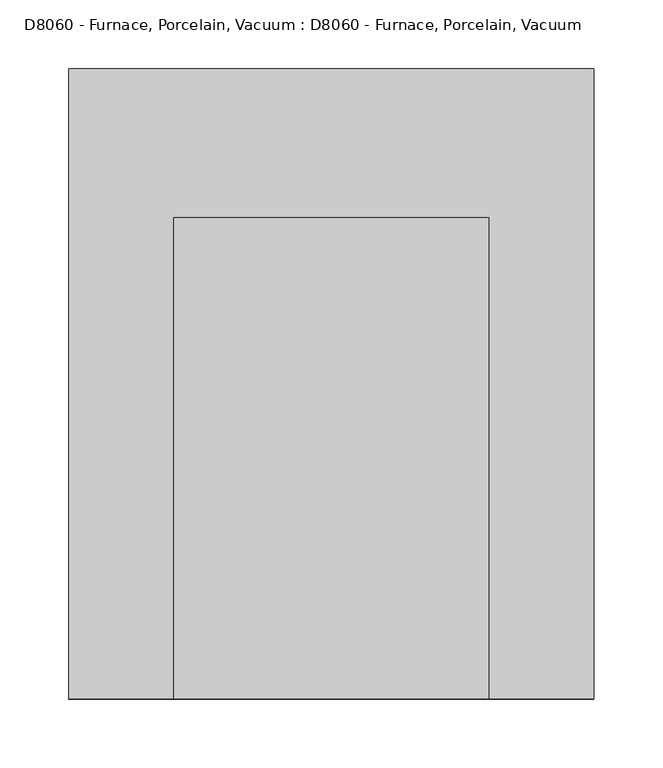
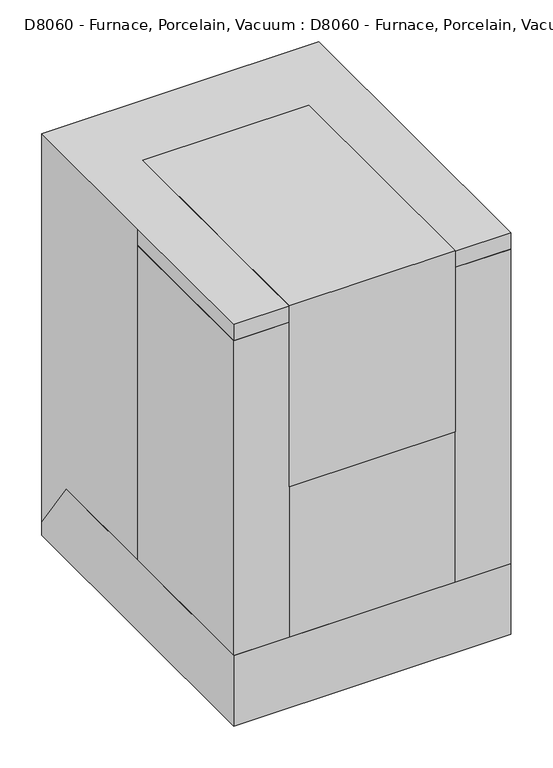
"""IFC4 building model written with IfcOpenShell, lengths in millimetres: proxy geometry, D8060 - Furnace, Porcelain, Vacuum : D8060 - Furnace, Porcelain, Vacuum."""

from ifc_helpers import new_model, si_unit, frame, origin, origin_with_axes, place, context, project, spatial, polyline, outline, extrude, source, transform, mapped, element, save


def d8060_furnace_porcelain_vacuum_d8060_furnace_porcelain_161b5353(model_context):
    return source(origin(), model_context, "Body", "SweptSolid", [
        extrude(outline(polyline([(228.6, 19.05), (228.6, 0.0), (-228.6, 0.0), (-228.6, 102.2758477), (170.3246341, 102.2758477), (228.6, 19.05)])), frame((-190.5, 0.0, 0.0), z_axis=(1.0, 0.0, 0.0), x_axis=(0.0, 1.0, 0.0)), (0.0, 0.0, 1.0), 381.0),
        extrude(outline(polyline([(114.3, -228.6), (-114.3, -228.6), (-114.3, 120.65), (114.3, 120.65), (114.3, -228.6)])), frame((0.0, 0.0, 320.9691908), z_axis=(0.0, 0.0, 1.0), x_axis=(1.0, 0.0, 0.0)), (0.0, 0.0, 1.0), 263.2308092),
        extrude(outline(polyline([(-114.3, -228.6), (-190.5, -228.6), (-190.5, 0.0), (-114.3, 0.0), (-114.3, -228.6)])), frame((0.0, 0.0, 102.2758477), z_axis=(0.0, 0.0, 1.0), x_axis=(1.0, 0.0, 0.0)), (0.0, 0.0, 1.0), 457.9378311),
        extrude(outline(polyline([(114.3, -228.6), (114.3, 0.0), (190.5, 0.0), (190.5, -228.6), (114.3, -228.6)])), frame((0.0, 0.0, 102.2758477), z_axis=(0.0, 0.0, 1.0), x_axis=(1.0, 0.0, 0.0)), (0.0, 0.0, 1.0), 457.9378311),
        extrude(outline(polyline([(-190.5, -228.6), (-190.5, 0.0), (-190.5, 228.6), (190.5, 228.6), (190.5, -228.6), (-190.5, -228.6)])), origin_with_axes(), (0.0, 0.0, 1.0), 584.2),
    ])


if __name__ == "__main__":
    model = new_model("IFC4")
    model_context = context("Model", 3, world=origin())
    ifc_project = project(units=[si_unit("LENGTHUNIT", "METRE", prefix="MILLI")], contexts=[model_context])
    site = spatial("IfcSite", under=ifc_project)
    building = spatial("IfcBuilding", under=site)
    placement = place(None, origin())
    d8060_furnace_porcelain_vacuum_d8060_furnace_porcelain_shape = d8060_furnace_porcelain_vacuum_d8060_furnace_porcelain_161b5353(model_context)
    element("IfcBuildingElementProxy", 1, Name="D8060 - Furnace, Porcelain, Vacuum : D8060 - Furnace, Porcelain, Vacuum", ObjectType="D8060 - Furnace, Porcelain, Vacuum : D8060 - Furnace, Porcelain, Vacuum", at=placement, inside=building, context=model_context, shape_type="MappedRepresentation", body=[
        mapped(d8060_furnace_porcelain_vacuum_d8060_furnace_porcelain_shape, transform((0.0, 0.0, 0.0), x_axis=(1.0, 0.0, 0.0), y_axis=(0.0, 1.0, 0.0), z_axis=(0.0, 0.0, 1.0))),
    ])
    save(model, "model.ifc")
